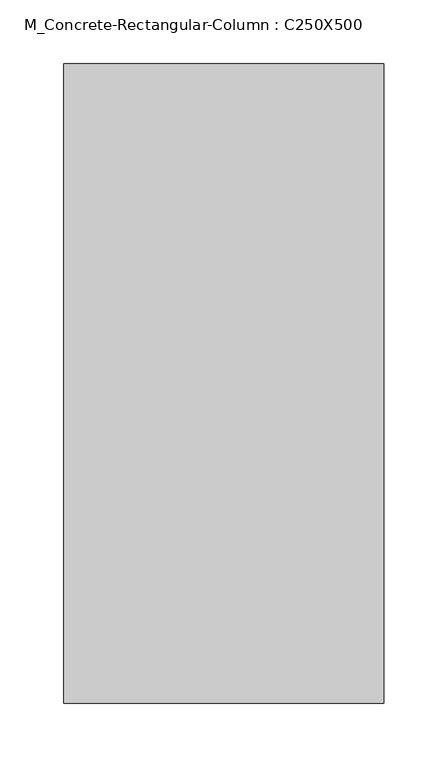
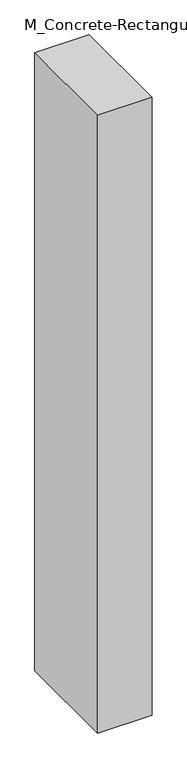
"""IFC4 building model written with IfcOpenShell, lengths in millimetres: column geometry, M_Concrete-Rectangular-Column : C250X500."""

from ifc_helpers import new_model, si_unit, origin, origin_with_axes, place, context, project, spatial, polyline, outline, extrude, source, transform, mapped, element, save


def m_concrete_rectangular_column_c250x500_a48fcf2d(model_context):
    return source(origin(), model_context, "Body", "SweptSolid", [
        extrude(outline(polyline([(125.0, 250.0), (125.0, -250.0), (-125.0, -250.0), (-125.0, 250.0), (125.0, 250.0)])), origin_with_axes(), (0.0, 0.0, 1.0), 3000.0),
    ])


if __name__ == "__main__":
    model = new_model("IFC4")
    model_context = context("Model", 3, world=origin())
    ifc_project = project(units=[si_unit("LENGTHUNIT", "METRE", prefix="MILLI")], contexts=[model_context])
    site = spatial("IfcSite", under=ifc_project)
    building = spatial("IfcBuilding", under=site)
    placement = place(None, origin())
    m_concrete_rectangular_column_c250x500_shape = m_concrete_rectangular_column_c250x500_a48fcf2d(model_context)
    element("IfcColumn", 1, ObjectType="M_Concrete-Rectangular-Column : C250X500", at=placement, inside=building, context=model_context, shape_type="MappedRepresentation", body=[
        mapped(m_concrete_rectangular_column_c250x500_shape, transform((0.0, 0.0, 0.0), x_axis=(1.0, 0.0, 0.0), y_axis=(0.0, 1.0, 0.0), z_axis=(0.0, 0.0, 1.0))),
    ])
    save(model, "model.ifc")
